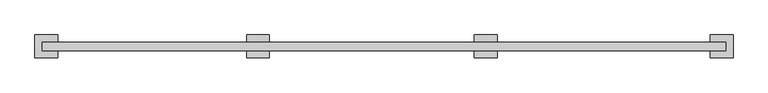
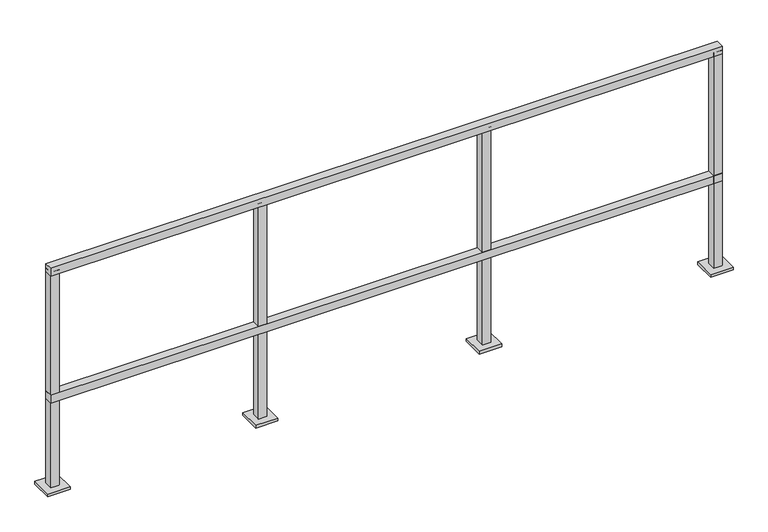
"""IFC4 building model written with IfcOpenShell, lengths in millimetres: railing geometry."""

from ifc_helpers import new_model, si_unit, frame, origin, origin_with_axes, place, context, project, spatial, polyline, outline, extrude, source, transform, mapped, element, save


def railing_631ad27c(model_context):
    return source(origin(), model_context, "Body", "SweptSolid", [
        extrude(outline(polyline([(-13.8291097, -13211.844059), (-13.8291097, -13173.744059), (3034.1708903, -13173.744059), (3034.1708903, -13211.844059), (-13.8291097, -13211.844059)])), frame((0.0, 0.0, 1028.7), z_axis=(0.0, 0.0, 1.0), x_axis=(1.0, 0.0, 0.0)), (0.0, 0.0, 1.0), 38.1),
        extrude(outline(polyline([(-13.8291097, -13211.844059), (-13.8291097, -13173.744059), (3034.1708903, -13173.744059), (3034.1708903, -13211.844059), (-13.8291097, -13211.844059)])), frame((0.0, 0.0, 419.1), z_axis=(0.0, 0.0, 1.0), x_axis=(1.0, 0.0, 0.0)), (0.0, 0.0, 1.0), 38.1),
        extrude(outline(polyline([(1983.2811551, -13173.744059), (1983.2811551, -13211.844059), (1945.1811551, -13211.844059), (1945.1811551, -13173.744059), (1983.2811551, -13173.744059)]), holes=[polyline([(1946.7686551, -13210.256559), (1981.6936551, -13210.256559), (1981.6936551, -13175.331559), (1946.7686551, -13175.331559), (1946.7686551, -13210.256559)])]), frame((0.0, 0.0, 12.7), z_axis=(0.0, 0.0, 1.0), x_axis=(1.0, 0.0, 0.0)), (0.0, 0.0, 1.0), 1035.05),
        extrude(outline(polyline([(2015.0311551, -13243.594059), (1913.4311551, -13243.594059), (1913.4311551, -13141.994059), (2015.0311551, -13141.994059), (2015.0311551, -13243.594059)])), origin_with_axes(), (0.0, 0.0, 1.0), 12.7),
        extrude(outline(polyline([(967.2811551, -13173.744059), (967.2811551, -13211.844059), (929.1811551, -13211.844059), (929.1811551, -13173.744059), (967.2811551, -13173.744059)]), holes=[polyline([(930.7686551, -13210.256559), (965.6936551, -13210.256559), (965.6936551, -13175.331559), (930.7686551, -13175.331559), (930.7686551, -13210.256559)])]), frame((0.0, 0.0, 12.7), z_axis=(0.0, 0.0, 1.0), x_axis=(1.0, 0.0, 0.0)), (0.0, 0.0, 1.0), 1035.05),
        extrude(outline(polyline([(999.0311551, -13243.594059), (897.4311551, -13243.594059), (897.4311551, -13141.994059), (999.0311551, -13141.994059), (999.0311551, -13243.594059)])), origin_with_axes(), (0.0, 0.0, 1.0), 12.7),
        extrude(outline(polyline([(3034.2061551, -13173.744059), (3034.2061551, -13211.844059), (2996.1061551, -13211.844059), (2996.1061551, -13173.744059), (3034.2061551, -13173.744059)]), holes=[polyline([(2997.6936551, -13210.256559), (3032.6186551, -13210.256559), (3032.6186551, -13175.331559), (2997.6936551, -13175.331559), (2997.6936551, -13210.256559)])]), frame((0.0, 0.0, 12.7), z_axis=(0.0, 0.0, 1.0), x_axis=(1.0, 0.0, 0.0)), (0.0, 0.0, 1.0), 1035.05),
        extrude(outline(polyline([(3065.9561551, -13243.594059), (2964.3561551, -13243.594059), (2964.3561551, -13141.994059), (3065.9561551, -13141.994059), (3065.9561551, -13243.594059)])), origin_with_axes(), (0.0, 0.0, 1.0), 12.7),
        extrude(outline(polyline([(24.3061551, -13173.744059), (24.3061551, -13211.844059), (-13.7938449, -13211.844059), (-13.7938449, -13173.744059), (24.3061551, -13173.744059)]), holes=[polyline([(-12.2063449, -13210.256559), (22.7186551, -13210.256559), (22.7186551, -13175.331559), (-12.2063449, -13175.331559), (-12.2063449, -13210.256559)])]), frame((0.0, 0.0, 12.7), z_axis=(0.0, 0.0, 1.0), x_axis=(1.0, 0.0, 0.0)), (0.0, 0.0, 1.0), 1035.05),
        extrude(outline(polyline([(56.0561551, -13243.594059), (-45.5438449, -13243.594059), (-45.5438449, -13141.994059), (56.0561551, -13141.994059), (56.0561551, -13243.594059)])), origin_with_axes(), (0.0, 0.0, 1.0), 12.7),
    ])


if __name__ == "__main__":
    model = new_model("IFC4")
    model_context = context("Model", 3, world=origin())
    ifc_project = project(units=[si_unit("LENGTHUNIT", "METRE", prefix="MILLI")], contexts=[model_context])
    site = spatial("IfcSite", under=ifc_project)
    building = spatial("IfcBuilding", under=site)
    placement = place(None, origin())
    railing_shape = railing_631ad27c(model_context)
    element("IfcRailing", 1, at=placement, inside=building, context=model_context, shape_type="MappedRepresentation", body=[
        mapped(railing_shape, transform((0.0, 0.0, 0.0), x_axis=(1.0, 0.0, 0.0), y_axis=(0.0, 1.0, 0.0), z_axis=(0.0, 0.0, 1.0))),
    ])
    save(model, "model.ifc")
